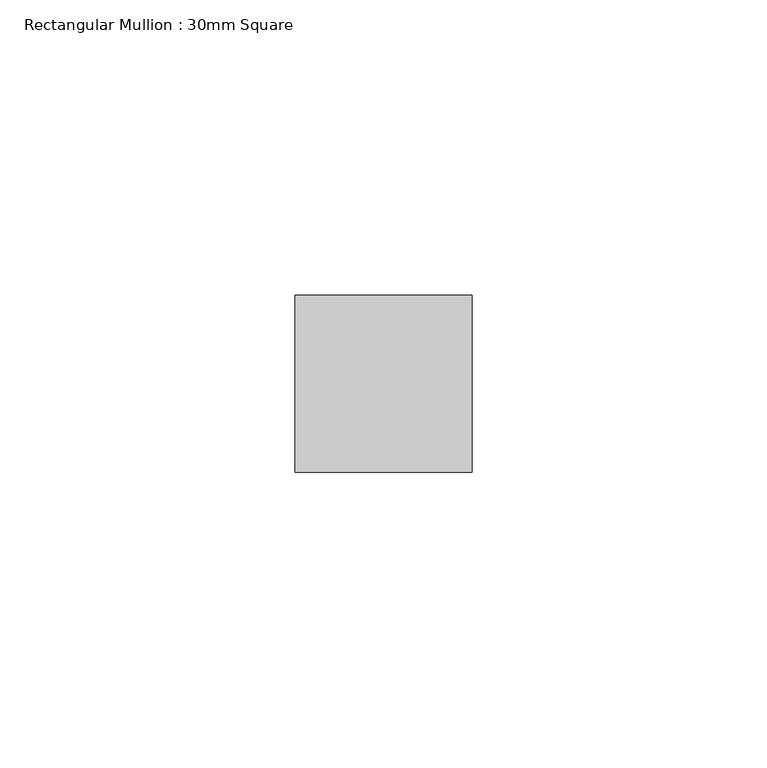
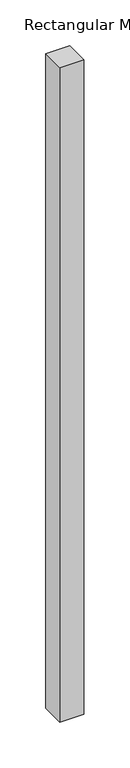
"""IFC4 building model written with IfcOpenShell, lengths in millimetres: member geometry, Rectangular Mullion : 30mm Square."""

from ifc_helpers import new_model, si_unit, frame, origin, place, context, project, spatial, polyline, outline, extrude, source, transform, mapped, element, save


def rectangular_mullion_30mm_square_a34d7e49(model_context):
    return source(origin(), model_context, "Body", "SweptSolid", [
        extrude(outline(polyline([(15.0, 15.0), (15.0, -15.0), (-15.0, -15.0), (-15.0, 15.0), (15.0, 15.0)])), frame((0.0, 0.0, -868.6234061), z_axis=(0.0, 0.0, 1.0), x_axis=(1.0, 0.0, 0.0)), (0.0, 0.0, 1.0), 868.6234061),
    ])


if __name__ == "__main__":
    model = new_model("IFC4")
    model_context = context("Model", 3, world=origin())
    ifc_project = project(units=[si_unit("LENGTHUNIT", "METRE", prefix="MILLI")], contexts=[model_context])
    site = spatial("IfcSite", under=ifc_project)
    building = spatial("IfcBuilding", under=site)
    placement = place(None, origin())
    rectangular_mullion_30mm_square_shape = rectangular_mullion_30mm_square_a34d7e49(model_context)
    element("IfcMember", 1, ObjectType="Rectangular Mullion : 30mm Square", at=placement, inside=building, context=model_context, shape_type="MappedRepresentation", body=[
        mapped(rectangular_mullion_30mm_square_shape, transform((0.0, 0.0, 0.0), x_axis=(1.0, 0.0, 0.0), y_axis=(0.0, 1.0, 0.0), z_axis=(0.0, 0.0, 1.0))),
    ])
    save(model, "model.ifc")
